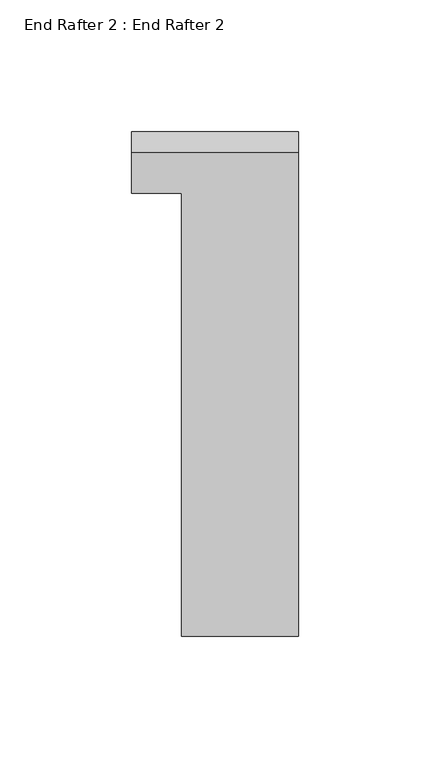
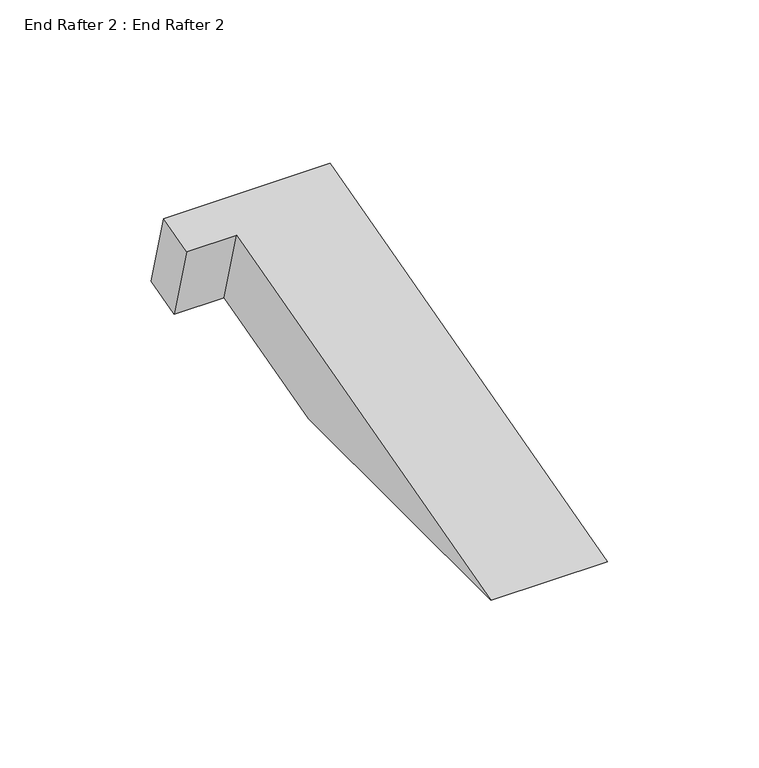
"""IFC4 building model written with IfcOpenShell, lengths in millimetres: proxy geometry, End Rafter 2 : End Rafter 2."""

from ifc_helpers import new_model, si_unit, origin, place, context, project, spatial, faceted_brep, source, transform, mapped, element, save


def end_rafter_2_end_rafter_2_0029d9ed(model_context):
    return source(origin(), model_context, "Body", "Brep", [
        faceted_brep([(-306.7645484, 3937.1862918, 1000.7487122), (-306.7645484, 3753.5760054, 951.5504842), (-306.7645484, 3874.2704499, 951.5504842), (-306.7645484, 3945.2712866, 970.5751011), (-351.2272484, 3874.2704499, 951.5504842), (-351.2272484, 3753.5760054, 951.5504842), (-351.2272484, 3921.8844209, 996.6485883), (-351.2272484, 3929.9690414, 966.476374), (-370.2645484, 3937.1862918, 1000.7487122), (-370.2645484, 3921.8844209, 996.6485883), (-370.2645484, 3929.9690414, 966.476374), (-370.2645484, 3945.2709123, 970.5764979)], [[[0, 1, 2, 3]], [[4, 5, 6, 7]], [[2, 1, 5, 4]], [[8, 9, 6, 5, 1, 0]], [[7, 10, 11, 3, 2, 4]], [[8, 0, 3, 11]], [[9, 8, 11, 10]], [[6, 9, 10, 7]]]),
    ])


if __name__ == "__main__":
    model = new_model("IFC4")
    model_context = context("Model", 3, world=origin())
    ifc_project = project(units=[si_unit("LENGTHUNIT", "METRE", prefix="MILLI")], contexts=[model_context])
    site = spatial("IfcSite", under=ifc_project)
    building = spatial("IfcBuilding", under=site)
    placement = place(None, origin())
    end_rafter_2_end_rafter_2_shape = end_rafter_2_end_rafter_2_0029d9ed(model_context)
    element("IfcBuildingElementProxy", 1, Name="End Rafter 2 : End Rafter 2", ObjectType="End Rafter 2 : End Rafter 2", at=placement, inside=building, context=model_context, shape_type="MappedRepresentation", body=[
        mapped(end_rafter_2_end_rafter_2_shape, transform((0.0, 0.0, 0.0), x_axis=(1.0, 0.0, 0.0), y_axis=(0.0, 1.0, 0.0), z_axis=(0.0, 0.0, 1.0))),
    ])
    save(model, "model.ifc")
